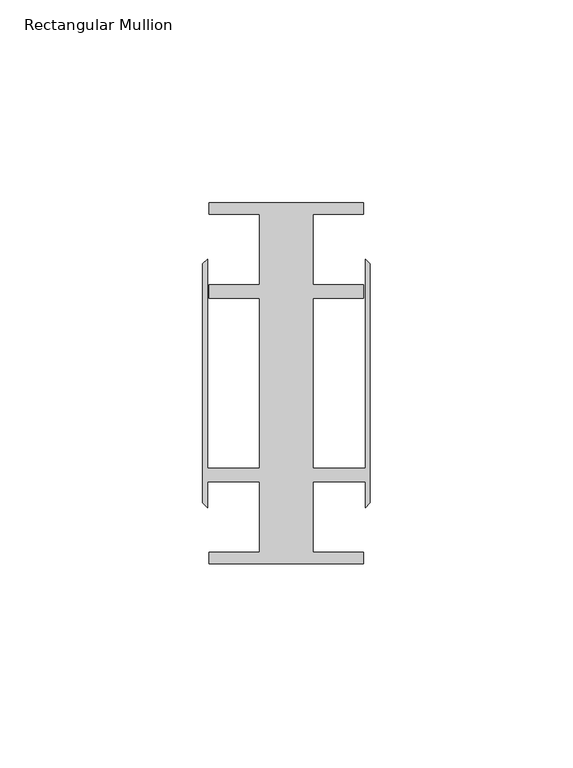
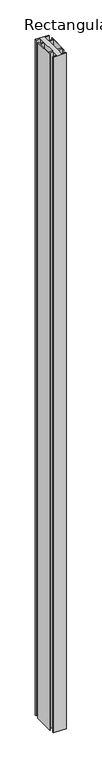
"""IFC4 building model written with IfcOpenShell, lengths in millimetres: member geometry, Rectangular Mullion."""

from ifc_helpers import new_model, si_unit, frame, origin, place, context, project, spatial, polyline, outline, extrude, source, transform, mapped, element, save


def rectangular_mullion_000a5e27(model_context):
    return source(origin(), model_context, "Body", "SweptSolid", [
        extrude(outline(polyline([(6.6000002, 41.6500013), (6.6000002, 24.2500008), (19.05, 24.2500008), (19.05, 20.9500007), (6.6000002, 20.9500007), (6.6000002, -20.9500007), (19.4924102, -20.9500007), (19.4924102, 30.6159585), (20.6375, 29.4708687), (20.6375, -29.4708687), (19.4924102, -30.6159585), (19.4924102, -24.2500008), (6.6000002, -24.2500008), (6.6000002, -41.6500013), (19.05, -41.6500013), (19.05, -44.45), (-19.05, -44.45), (-19.05, -41.6500013), (-6.6000002, -41.6500013), (-6.6000002, -24.2500008), (-19.4924102, -24.2500008), (-19.4924102, -30.6159585), (-20.6375, -29.4708687), (-20.6375, 29.4708687), (-19.4924102, 30.6159585), (-19.4924102, -20.9500007), (-6.6000002, -20.9500007), (-6.6000002, 20.9500007), (-19.05, 20.9500007), (-19.05, 24.2500008), (-6.6000002, 24.2500008), (-6.6000002, 41.6500013), (-19.05, 41.6500013), (-19.05, 44.45), (19.05, 44.45), (19.05, 41.6500013), (6.6000002, 41.6500013)])), frame((0.0, 0.0, -2068.5125), z_axis=(0.0, 0.0, 1.0), x_axis=(1.0, 0.0, 0.0)), (0.0, 0.0, 1.0), 2068.5125),
    ])


if __name__ == "__main__":
    model = new_model("IFC4")
    model_context = context("Model", 3, world=origin())
    ifc_project = project(units=[si_unit("LENGTHUNIT", "METRE", prefix="MILLI")], contexts=[model_context])
    site = spatial("IfcSite", under=ifc_project)
    building = spatial("IfcBuilding", under=site)
    placement = place(None, origin())
    rectangular_mullion_shape = rectangular_mullion_000a5e27(model_context)
    element("IfcMember", 1, ObjectType="Rectangular Mullion", at=placement, inside=building, context=model_context, shape_type="MappedRepresentation", body=[
        mapped(rectangular_mullion_shape, transform((0.0, 0.0, 0.0), x_axis=(1.0, 0.0, 0.0), y_axis=(0.0, 1.0, 0.0), z_axis=(0.0, 0.0, 1.0))),
    ])
    save(model, "model.ifc")
